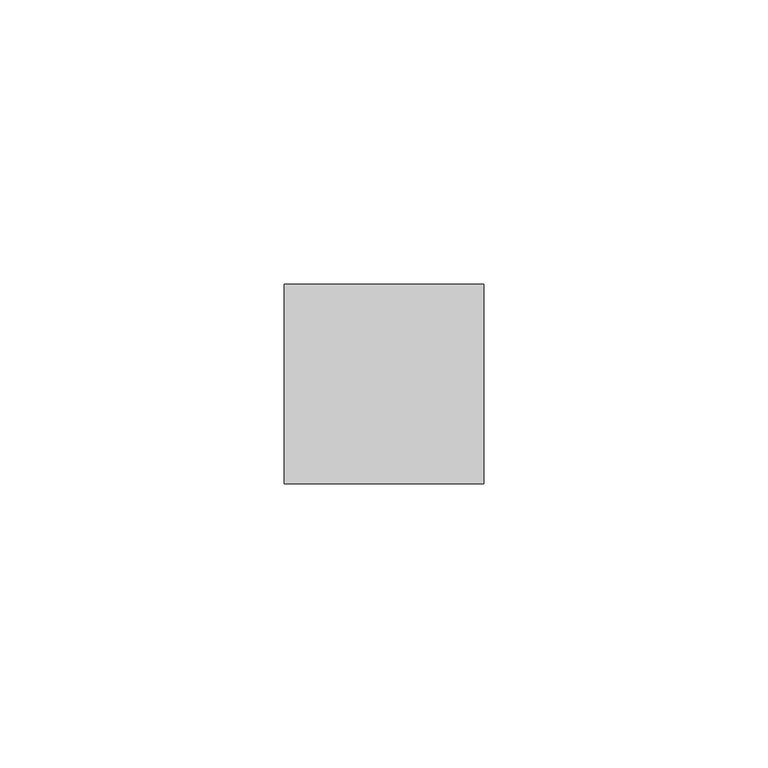
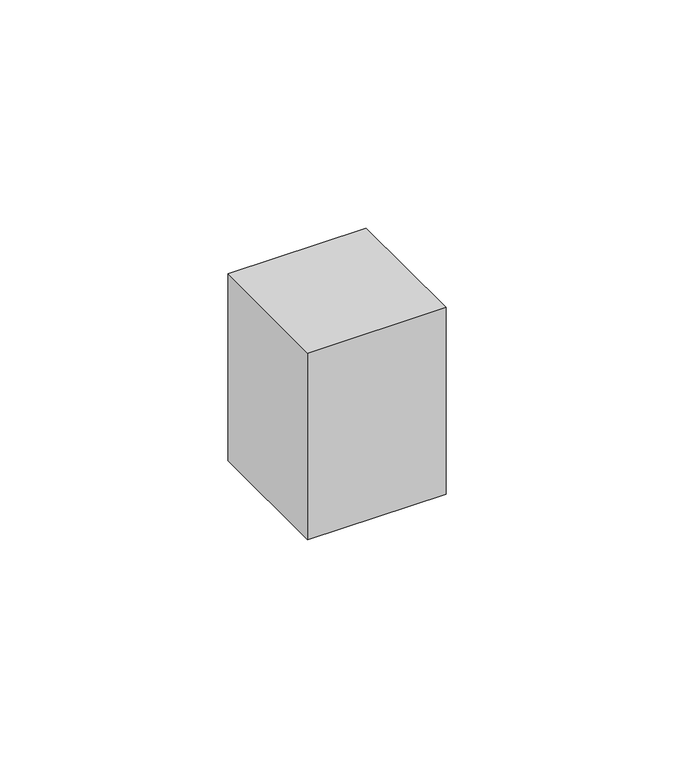
"""IFC4 building model written with IfcOpenShell, lengths in millimetres: proxy geometry."""

from ifc_helpers import new_model, si_unit, frame, origin, place, context, project, spatial, polyline, outline, extrude, source, transform, mapped, element, save


def generic_models_34bc0b98(model_context):
    return source(origin(), model_context, "Body", "SweptSolid", [
        extrude(outline(polyline([(35.0, 35.0), (35.0, 0.0), (0.0, 0.0), (0.0, 35.0), (35.0, 35.0)])), frame((0.0, 0.0, 120.0), z_axis=(0.0, 0.0, 1.0), x_axis=(1.0, 0.0, 0.0)), (0.0, 0.0, 1.0), 50.0),
    ])


if __name__ == "__main__":
    model = new_model("IFC4")
    model_context = context("Model", 3, world=origin())
    ifc_project = project(units=[si_unit("LENGTHUNIT", "METRE", prefix="MILLI")], contexts=[model_context])
    site = spatial("IfcSite", under=ifc_project)
    building = spatial("IfcBuilding", under=site)
    placement = place(None, origin())
    generic_models_shape = generic_models_34bc0b98(model_context)
    element("IfcBuildingElementProxy", 1, Name="Generic Models", at=placement, inside=building, context=model_context, shape_type="MappedRepresentation", body=[
        mapped(generic_models_shape, transform((0.0, 0.0, 0.0), x_axis=(1.0, 0.0, 0.0), y_axis=(0.0, 1.0, 0.0), z_axis=(0.0, 0.0, 1.0))),
    ])
    save(model, "model.ifc")
